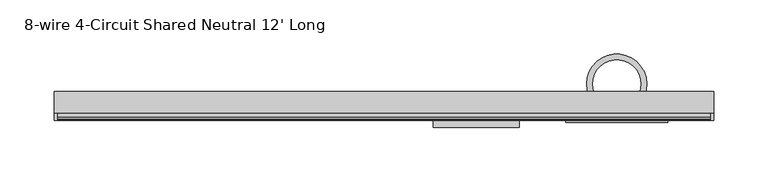
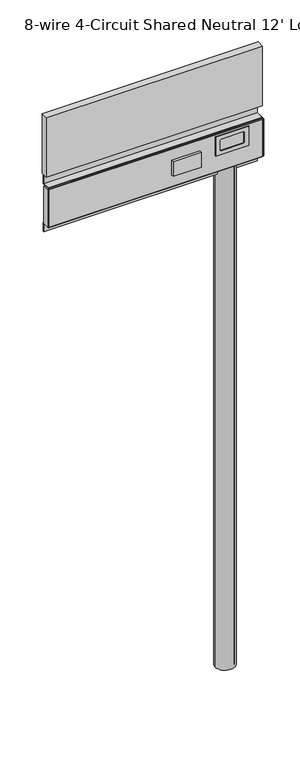
"""IFC4 building model written with IfcOpenShell, lengths in millimetres: furniture geometry, 8-wire 4-Circuit Shared Neutral 12' Long."""

from ifc_helpers import new_model, si_unit, point, frame, origin, origin_with_axes, origin_2d, place, context, project, spatial, polyline, circle_curve, trimmed, segment, composite_curve, outline, extrude, source, transform, mapped, element, save


def furniture_8_wire_4_circuit_shared_neutral_12_long_5454d7f8(model_context):
    return source(origin(), model_context, "Body", "SweptSolid", [
        extrude(outline(polyline([(1607.8259653, 47.1170005), (1607.8259653, -47.1170005), (1551.1839671, -47.1170005), (1551.1839671, 47.1170005), (1607.8259653, 47.1170005)]), holes=[polyline([(1596.2689672, 31.2420065), (1595.5994133, 32.8584595), (1593.9829671, 33.5280044), (1565.0269664, 33.5280044), (1563.4105203, 32.8584595), (1562.7409663, 31.2420065), (1562.7409663, -31.2419884), (1563.4105203, -32.8584413), (1565.0269664, -33.5279862), (1593.9829671, -33.5279862), (1595.5994133, -32.8584413), (1596.2689672, -31.2419884), (1596.2689672, 31.2420065)])]), frame((0.0, -35.6310779, 0.0), z_axis=(0.0, 1.0, 0.0), x_axis=(0.0, 0.0, 1.0)), (0.0, 0.0, 1.0), 1.624416),
        extrude(outline(polyline([(-90.1559337, -34.0066619), (-90.1559337, -40.3566649), (-169.6790444, -40.3566649), (-169.6790444, -34.0066619), (-90.1559337, -34.0066619)])), frame((0.0, 0.0, 1536.7749674), z_axis=(0.0, 0.0, 1.0), x_axis=(1.0, 0.0, 0.0)), (0.0, 0.0, 1.0), 44.4499991),
        extrude(outline(polyline([(-516.4865984, -34.0066619), (-519.7999944, -34.0066619), (-519.7999944, -14.4348437), (-516.4865984, -14.4348437), (-516.4865984, -34.0066619)])), frame((0.0, 0.0, 1503.4999659), z_axis=(0.0, 0.0, 1.0), x_axis=(1.0, 0.0, 0.0)), (0.0, 0.0, 1.0), 111.0000016),
        extrude(outline(polyline([(89.8000056, -34.0066619), (86.4866097, -34.0066619), (86.4866097, -14.4348437), (89.8000056, -14.4348437), (89.8000056, -34.0066619)])), frame((0.0, 0.0, 1503.4999659), z_axis=(0.0, 0.0, 1.0), x_axis=(1.0, 0.0, 0.0)), (0.0, 0.0, 1.0), 111.0000016),
        extrude(outline(polyline([(-8.706663, 1617.8999643), (-8.706663, 1643.1999644), (-7.0066634, 1643.1999644), (-7.0066634, 1616.1999681), (-30.5066621, 1616.1999681), (-31.7446497, 1615.7061484), (-32.3038816, 1614.4999674), (-32.3038816, 1503.4999659), (-31.7446497, 1502.293785), (-30.5066621, 1501.7999652), (-7.0066634, 1501.7999652), (-7.0066634, 1474.799969), (-8.706663, 1474.799969), (-8.706663, 1500.0999645), (-30.5066621, 1500.0999645), (-32.228541, 1500.5528165), (-33.5048121, 1501.7941152), (-34.0066619, 1503.5048273), (-34.0066619, 1614.495106), (-33.5048121, 1616.2058181), (-32.228541, 1617.4471168), (-30.5066621, 1617.8999643), (-8.706663, 1617.8999643)])), frame((-516.4000021, 0.0, 0.0), z_axis=(1.0, 0.0, 0.0), x_axis=(0.0, 1.0, 0.0)), (0.0, 0.0, 1.0), 602.8866117),
        extrude(outline(polyline([(89.8000056, -26.998664), (-519.7999944, -26.998664), (-519.7999944, -6.9986629), (89.8000056, -6.9986629), (89.8000056, -26.998664)])), frame((0.0, 0.0, 1648.8499647), z_axis=(0.0, 0.0, 1.0), x_axis=(1.0, 0.0, 0.0)), (0.0, 0.0, 1.0), 177.800003),
        extrude(outline(composite_curve([segment(trimmed(circle_curve(origin_2d(), 27.7018726), [point((-27.7018726, 0.0))], [point((27.7018726, 0.0))], False, "CARTESIAN"), True, "CONTINUOUS"), segment(trimmed(circle_curve(origin_2d(), 27.7018726), [point((27.7018726, 0.0))], [point((-27.7018726, 0.0))], False, "CARTESIAN"), True, "CONTINUOUS")], self_intersect=False), holes=[composite_curve([segment(trimmed(circle_curve(origin_2d(), 22.343337), [point((-22.343337, 0.0))], [point((22.343337, 0.0))], True, "CARTESIAN"), True, "CONTINUOUS"), segment(trimmed(circle_curve(origin_2d(), 22.343337), [point((22.343337, 0.0))], [point((-22.343337, 0.0))], True, "CARTESIAN"), True, "CONTINUOUS")], self_intersect=False)]), origin_with_axes(), (0.0, 0.0, 1.0), 1524.5068211),
    ])


if __name__ == "__main__":
    model = new_model("IFC4")
    model_context = context("Model", 3, world=origin())
    ifc_project = project(units=[si_unit("LENGTHUNIT", "METRE", prefix="MILLI")], contexts=[model_context])
    site = spatial("IfcSite", under=ifc_project)
    building = spatial("IfcBuilding", under=site)
    placement = place(None, origin())
    furniture_8_wire_4_circuit_shared_neutral_12_long_shape = furniture_8_wire_4_circuit_shared_neutral_12_long_5454d7f8(model_context)
    element("IfcFurniture", 1, ObjectType="8-wire 4-Circuit Shared Neutral 12' Long", at=placement, inside=building, context=model_context, shape_type="MappedRepresentation", body=[
        mapped(furniture_8_wire_4_circuit_shared_neutral_12_long_shape, transform((0.0, 0.0, 0.0), x_axis=(1.0, 0.0, 0.0), y_axis=(0.0, 1.0, 0.0), z_axis=(0.0, 0.0, 1.0))),
    ])
    save(model, "model.ifc")
